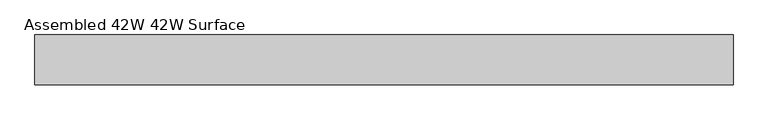
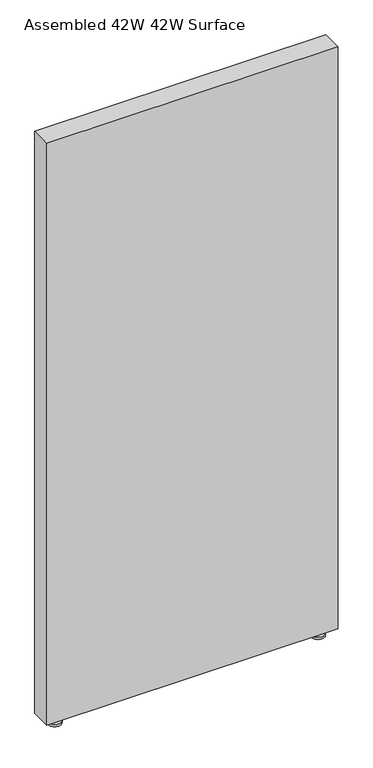
"""IFC4 building model written with IfcOpenShell, lengths in millimetres: furniture geometry, Assembled 42W 42W Surface."""

import ifcopenshell
import ifcopenshell.guid

model = None  # the IFC model being written
_history = None  # IfcOwnerHistory: only IFC2X3 demands one
_inside = {}  # id of a spatial element -> (the spatial element, [elements in it])
_under = {}  # id of a project, library or spatial element -> (it, [spatial elements below it])
_declared = {}  # id of a project -> (the project, [libraries it declares])
_typed = {}  # id of a type object -> (the type object, [elements of that type])
_made_of = {}  # id of a material, layer set ... -> (it, [elements and type objects made of it])


def new_model(schema):
    """Start an empty IFC model of exactly this schema.

    Asked for "IFC4X3", IfcOpenShell would pick the latest addendum, in which some entities
    have other attributes; the version numbers below select the first issue.
    IFC2X3 requires an IfcOwnerHistory on every rooted entity: one is made here for all.
    """
    global model, _history
    if schema == "IFC4X3":
        model = ifcopenshell.file(schema_version=(4, 3, 0, 0))
    else:
        model = ifcopenshell.file(schema=schema)
    _inside.clear()
    _under.clear()
    _declared.clear()
    _typed.clear()
    _made_of.clear()
    _history = None
    if model.schema == "IFC2X3":
        org = make("IfcOrganization", Name="unknown")
        user = make(
            "IfcPersonAndOrganization",
            ThePerson=make("IfcPerson", FamilyName="unknown"),
            TheOrganization=org,
        )
        app = make(
            "IfcApplication",
            ApplicationDeveloper=org,
            Version="unknown",
            ApplicationFullName="unknown",
            ApplicationIdentifier="unknown",
        )
        _history = make(
            "IfcOwnerHistory",
            OwningUser=user,
            OwningApplication=app,
            ChangeAction="ADDED",
            CreationDate=0,
        )
    return model


def make(cls, **values):
    """One entity of the class cls with the attributes given. An attribute that is None is left unset."""
    return model.create_entity(
        cls, **{name: value for name, value in values.items() if value is not None}
    )


def rooted(cls, **values):
    """An entity with a GlobalId (a new one), such as an element, a storey or a relation."""
    return make(cls, GlobalId=ifcopenshell.guid.new(), OwnerHistory=_history, **values)


def si_unit(unit_type, name, prefix=None):
    """IfcSIUnit, for example si_unit("LENGTHUNIT", "METRE", prefix="MILLI")."""
    return make("IfcSIUnit", UnitType=unit_type, Prefix=prefix, Name=name)


def assignment(units):
    """IfcUnitAssignment: the units of a project."""
    return None if units is None else make("IfcUnitAssignment", Units=units)


def point(xyz):
    """IfcCartesianPoint."""
    return None if xyz is None else make("IfcCartesianPoint", Coordinates=xyz)


def direction(xyz):
    """IfcDirection."""
    return None if xyz is None else make("IfcDirection", DirectionRatios=xyz)


def frame(location, z_axis=None, x_axis=None):
    """IfcAxis2Placement3D, a coordinate frame: its origin and axes. An axis left out is left unset."""
    return make(
        "IfcAxis2Placement3D",
        Location=point(location),
        Axis=direction(z_axis),
        RefDirection=direction(x_axis),
    )


def origin():
    """The frame at (0, 0, 0) with its axes left unset."""
    return frame((0.0, 0.0, 0.0))


def place(relative_to, where):
    """IfcLocalPlacement: puts the frame where relative to a parent placement (None: the world)."""
    return make(
        "IfcLocalPlacement", PlacementRelTo=relative_to, RelativePlacement=where
    )


def context(
    kind, dimensions, precision=None, world=None, true_north=None, identifier=None
):
    """IfcGeometricRepresentationContext, for example the 3D "Model" context."""
    return make(
        "IfcGeometricRepresentationContext",
        ContextIdentifier=identifier,
        ContextType=kind,
        CoordinateSpaceDimension=dimensions,
        Precision=precision,
        WorldCoordinateSystem=world,
        TrueNorth=true_north,
    )


def project(units=None, contexts=None):
    """IfcProject with its units and contexts."""
    return rooted(
        "IfcProject",
        Name="project",
        RepresentationContexts=contexts,
        UnitsInContext=assignment(units),
    )


def spatial(cls, under=None, at=None, **own):
    """A site, building, storey or space (cls), placed at a placement, below another one or the project."""
    s = rooted(cls, ObjectPlacement=at, **own)
    if under is not None:
        _under.setdefault(under.id(), (under, []))[1].append(s)
    return s


def polyline(points):
    """IfcPolyline through the points."""
    return make("IfcPolyline", Points=[point(p) for p in points])


def circle_curve(where, radius):
    """IfcCircle in the frame where."""
    return make("IfcCircle", Position=where, Radius=radius)


def outline(outer, holes=None, kind="AREA"):
    """IfcArbitraryClosedProfileDef: a profile drawn as a closed curve; with holes, ...WithVoids."""
    if holes is None:
        return make("IfcArbitraryClosedProfileDef", ProfileType=kind, OuterCurve=outer)
    return make(
        "IfcArbitraryProfileDefWithVoids",
        ProfileType=kind,
        OuterCurve=outer,
        InnerCurves=holes,
    )


def extrude(swept, where, along, depth):
    """IfcExtrudedAreaSolid: the profile swept, set in the frame where, extruded along a direction by depth."""
    return make(
        "IfcExtrudedAreaSolid",
        SweptArea=swept,
        Position=where,
        ExtrudedDirection=direction(along),
        Depth=depth,
    )


def shape(context_of_items, identifier, shape_type, items):
    """IfcShapeRepresentation: the items that make up one representation, for example the "Body"."""
    return make(
        "IfcShapeRepresentation",
        ContextOfItems=context_of_items,
        RepresentationIdentifier=identifier,
        RepresentationType=shape_type,
        Items=items,
    )


def source(mapping_origin, context_of_items, identifier, shape_type, items):
    """IfcRepresentationMap: a shape defined once, which mapped items show again and again."""
    return make(
        "IfcRepresentationMap",
        MappingOrigin=mapping_origin,
        MappedRepresentation=shape(context_of_items, identifier, shape_type, items),
    )


def transform(
    local_origin,
    x_axis=None,
    y_axis=None,
    z_axis=None,
    scale=None,
    scale2=None,
    scale3=None,
    uniform=True,
):
    """IfcCartesianTransformationOperator3D, or its non-uniform kind. x_axis, y_axis, z_axis: its Axis1, 2, 3."""
    if uniform:
        return make(
            "IfcCartesianTransformationOperator3D",
            Axis1=direction(x_axis),
            Axis2=direction(y_axis),
            LocalOrigin=point(local_origin),
            Scale=scale,
            Axis3=direction(z_axis),
        )
    return make(
        "IfcCartesianTransformationOperator3DnonUniform",
        Axis1=direction(x_axis),
        Axis2=direction(y_axis),
        LocalOrigin=point(local_origin),
        Scale=scale,
        Axis3=direction(z_axis),
        Scale2=scale2,
        Scale3=scale3,
    )


def mapped(mapping_source, mapping_target):
    """IfcMappedItem: shows the shape of a source again, moved by a transform."""
    return make(
        "IfcMappedItem", MappingSource=mapping_source, MappingTarget=mapping_target
    )


def made_of(thing, what):
    """Note that an element or type object is made of a material, layer set ...; save() writes the relation."""
    if what is not None:
        _made_of.setdefault(what.id(), (what, []))[1].append(thing)
    return thing


def element(
    cls,
    number,
    at=None,
    inside=None,
    cuts=None,
    type_object=None,
    material=None,
    context=None,
    identifier="Body",
    shape_type=None,
    held_by="IfcProductDefinitionShape",
    body=None,
    shapes=None,
    **own,
):
    """One element of the class cls, such as IfcWall. Its Tag is "e" and its number.

    at: its placement. inside: the storey or other place that contains it. cuts: it is an
    opening in that element (IfcRelVoidsElement). A single representation is given by context,
    identifier, shape_type and body (its items); several are given by shapes. held_by: the class
    of the entity that holds the representations. save() writes the other relations.
    """
    e = rooted(cls, Tag="e%d" % number, ObjectPlacement=at, **own)
    if body is not None:
        shapes = [shape(context, identifier, shape_type, body)]
    if shapes is not None:
        e.Representation = make(held_by, Representations=shapes)
    if inside is not None:
        _inside.setdefault(inside.id(), (inside, []))[1].append(e)
    if cuts is not None:
        rooted(
            "IfcRelVoidsElement", RelatingBuildingElement=cuts, RelatedOpeningElement=e
        )
    if type_object is not None:
        _typed.setdefault(type_object.id(), (type_object, []))[1].append(e)
    return made_of(e, material)


def aggregate(whole, parts):
    """IfcRelAggregates: a whole, such as a stair, and the parts it consists of."""
    return rooted("IfcRelAggregates", RelatingObject=whole, RelatedObjects=parts)


def save(model, path):
    """Write the relations noted so far, then the file.

    IfcRelAggregates (storeys below a building ...), IfcRelContainedInSpatialStructure (elements
    in a storey), IfcRelDefinesByType, IfcRelAssociatesMaterial and IfcRelDeclares: one each for
    every whole, place, type object, material and project.
    """
    for whole, parts in _under.values():
        aggregate(whole, parts)
    for where, things in _inside.values():
        rooted(
            "IfcRelContainedInSpatialStructure",
            RelatedElements=things,
            RelatingStructure=where,
        )
    for kind, things in _typed.values():
        rooted("IfcRelDefinesByType", RelatedObjects=things, RelatingType=kind)
    for what, things in _made_of.values():
        rooted("IfcRelAssociatesMaterial", RelatedObjects=things, RelatingMaterial=what)
    for by, libraries in _declared.values():
        rooted("IfcRelDeclares", RelatingContext=by, RelatedDefinitions=libraries)
    model.write(path)


def plane_surface(at):
    """IfcPlane: the flat surface through the origin of the frame at, square to its z axis."""
    return make("IfcPlane", Position=at)


def cylinder_surface(at, radius):
    """IfcCylindricalSurface: all points at the distance radius from the z axis of the frame at."""
    return make("IfcCylindricalSurface", Position=at, Radius=radius)


def advanced_brep(points, edges, surfaces, faces):
    """IfcAdvancedBrep: a solid bounded by faces that lie on surfaces and meet in shared edges.

    An edge is (start, end): straight between two places in points (the first is 0);
    or (start, end, curve); or (start, end, curve, False) where it runs against its curve.
    A face is (place in surfaces, loops), or (place, loops, False) where it looks against
    its surface's normal. A loop lists edges by number (the first is 1), with a minus sign
    where the edge is run from its end to its start. The first loop is the outer one.
    """
    corners = [point(p) for p in points]
    vertices = [make("IfcVertexPoint", VertexGeometry=c) for c in corners]
    made = []
    for start, end, *more in edges:
        made.append(
            make(
                "IfcEdgeCurve",
                EdgeStart=vertices[start],
                EdgeEnd=vertices[end],
                EdgeGeometry=more[0] if more else make("IfcPolyline", Points=[corners[start], corners[end]]),
                SameSense=more[1] if len(more) > 1 else True,
            )
        )
    hull = []
    for where, loops, *sense in faces:
        bounds = []
        for j, loop in enumerate(loops):
            ring = [make("IfcOrientedEdge", EdgeElement=made[abs(k) - 1], Orientation=k > 0) for k in loop]
            bounds.append(
                make(
                    "IfcFaceOuterBound" if j == 0 else "IfcFaceBound",
                    Bound=make("IfcEdgeLoop", EdgeList=ring),
                    Orientation=True,
                )
            )
        hull.append(make("IfcAdvancedFace", Bounds=bounds, FaceSurface=surfaces[where], SameSense=sense[0] if sense else True))
    return make("IfcAdvancedBrep", Outer=make("IfcClosedShell", CfsFaces=hull))


def assembled_42w_42w_surface_f6948d69(model_context):
    return source(origin(), model_context, "Body", "SolidModel", [
        advanced_brep(
        [(992.2500083, 50.7999992, 0.0), (1039.7500159, 50.7999992, 0.0), (1016.0000121, 50.7999992, 0.0), (992.2500083, 50.7999992, 8.0944096), (1039.7500159, 50.7999992, 8.0944096), (1011.2375121, 50.7999992, 8.0944096), (1020.7625121, 50.7999992, 8.0944096), (1011.2375121, 50.7999992, 30.1625008), (1020.7625121, 50.7999992, 30.1625008), (1016.0000121, 50.7999992, 30.1625008)],
        [
            (0, 1, circle_curve(frame((1016.0000121, 50.7999992, 0.0), z_axis=(0.0, 0.0, -1.0), x_axis=(1.0, 0.0, 0.0)), 23.7500038)),
            (1, 2),
            (2, 0),
            (1, 0, circle_curve(frame((1016.0000121, 50.7999992, 0.0), z_axis=(0.0, 0.0, -1.0), x_axis=(1.0, 0.0, 0.0)), 23.7500038)),
            (3, 4, circle_curve(frame((1016.0000121, 50.7999992, 8.0944096), z_axis=(0.0, 0.0, -1.0), x_axis=(1.0, 0.0, 0.0)), 23.7500038)),
            (4, 1),
            (0, 3),
            (4, 3, circle_curve(frame((1016.0000121, 50.7999992, 8.0944096), z_axis=(0.0, 0.0, -1.0), x_axis=(1.0, 0.0, 0.0)), 23.7500038)),
            (5, 6, circle_curve(frame((1016.0000121, 50.7999992, 8.0944096), z_axis=(0.0, 0.0, -1.0), x_axis=(1.0, 0.0, 0.0)), 4.7625)),
            (6, 4),
            (3, 5),
            (6, 5, circle_curve(frame((1016.0000121, 50.7999992, 8.0944096), z_axis=(0.0, 0.0, -1.0), x_axis=(1.0, 0.0, 0.0)), 4.7625)),
            (7, 8, circle_curve(frame((1016.0000121, 50.7999992, 30.1625008), z_axis=(0.0, 0.0, -1.0), x_axis=(1.0, 0.0, 0.0)), 4.7625)),
            (8, 6),
            (5, 7),
            (8, 7, circle_curve(frame((1016.0000121, 50.7999992, 30.1625008), z_axis=(0.0, 0.0, -1.0), x_axis=(1.0, 0.0, 0.0)), 4.7625)),
            (9, 8),
            (7, 9),
        ],
        [
            plane_surface(frame((1016.0000121, 50.7999992, 0.0), z_axis=(0.0, 0.0, -1.0), x_axis=(1.0, 0.0, 0.0))),
            cylinder_surface(frame((1016.0000121, 50.7999992, 30.1625008), z_axis=(0.0, 0.0, 1.0), x_axis=(1.0, 0.0, 0.0)), 23.7500038),
            plane_surface(frame((1016.0000121, 50.7999992, 8.0944096), z_axis=(0.0, 0.0, 1.0), x_axis=(1.0, 0.0, 0.0))),
            cylinder_surface(frame((1016.0000121, 50.7999992, 30.1625008), z_axis=(0.0, 0.0, 1.0), x_axis=(1.0, 0.0, 0.0)), 4.7625),
            plane_surface(frame((1016.0000121, 50.7999992, 30.1625008), z_axis=(0.0, 0.0, 1.0), x_axis=(1.0, 0.0, 0.0))),
        ],
        [
            (0, [[1, 2, 3]]),
            (0, [[4, -3, -2]]),
            (1, [[5, 6, -1, 7]]),
            (1, [[8, -7, -4, -6]]),
            (2, [[9, 10, -5, 11]]),
            (2, [[12, -11, -8, -10]]),
            (3, [[13, 14, -9, 15]]),
            (3, [[16, -15, -12, -14]]),
            (4, [[17, -13, 18]]),
            (4, [[-18, -16, -17]]),
        ],
    ),
        advanced_brep(
        [(46.0375015, 50.7999992, 30.1625008), (55.5625015, 50.7999992, 30.1625008), (55.5625015, 50.7999992, 8.0944096), (46.0375015, 50.7999992, 8.0944096), (50.8000015, 50.7999992, 30.1625008), (26.9875015, 50.7999992, 0.0), (74.6125015, 50.7999992, 0.0), (50.8000015, 50.7999992, 0.0), (26.9875015, 50.7999992, 8.0944096), (74.6125015, 50.7999992, 8.0944096)],
        [
            (0, 1, circle_curve(frame((50.8000015, 50.7999992, 30.1625008), z_axis=(0.0, 0.0, -1.0), x_axis=(1.0, 0.0, 0.0)), 4.7625)),
            (1, 2),
            (2, 3, circle_curve(frame((50.8000015, 50.7999992, 8.0944096), z_axis=(0.0, 0.0, 1.0), x_axis=(1.0, 0.0, 0.0)), 4.7625)),
            (3, 0),
            (1, 0, circle_curve(frame((50.8000015, 50.7999992, 30.1625008), z_axis=(0.0, 0.0, -1.0), x_axis=(1.0, 0.0, 0.0)), 4.7625)),
            (3, 2, circle_curve(frame((50.8000015, 50.7999992, 8.0944096), z_axis=(0.0, 0.0, 1.0), x_axis=(1.0, 0.0, 0.0)), 4.7625)),
            (4, 1),
            (0, 4),
            (5, 6, circle_curve(frame((50.8000015, 50.7999992, 0.0), z_axis=(0.0, 0.0, -1.0), x_axis=(1.0, 0.0, 0.0)), 23.8125)),
            (6, 7),
            (7, 5),
            (6, 5, circle_curve(frame((50.8000015, 50.7999992, 0.0), z_axis=(0.0, 0.0, -1.0), x_axis=(1.0, 0.0, 0.0)), 23.8125)),
            (8, 9, circle_curve(frame((50.8000015, 50.7999992, 8.0944096), z_axis=(0.0, 0.0, -1.0), x_axis=(1.0, 0.0, 0.0)), 23.8125)),
            (9, 6),
            (5, 8),
            (9, 8, circle_curve(frame((50.8000015, 50.7999992, 8.0944096), z_axis=(0.0, 0.0, -1.0), x_axis=(1.0, 0.0, 0.0)), 23.8125)),
            (2, 9),
            (8, 3),
        ],
        [
            cylinder_surface(frame((50.8000015, 50.7999992, 30.1625008), z_axis=(0.0, 0.0, 1.0), x_axis=(1.0, 0.0, 0.0)), 4.7625),
            plane_surface(frame((50.8000015, 50.7999992, 30.1625008), z_axis=(0.0, 0.0, 1.0), x_axis=(1.0, 0.0, 0.0))),
            plane_surface(frame((50.8000015, 50.7999992, 0.0), z_axis=(0.0, 0.0, -1.0), x_axis=(1.0, 0.0, 0.0))),
            cylinder_surface(frame((50.8000015, 50.7999992, 30.1625008), z_axis=(0.0, 0.0, 1.0), x_axis=(1.0, 0.0, 0.0)), 23.8125),
            plane_surface(frame((50.8000015, 50.7999992, 8.0944096), z_axis=(0.0, 0.0, 1.0), x_axis=(1.0, 0.0, 0.0))),
        ],
        [
            (0, [[1, 2, 3, 4]]),
            (0, [[5, -4, 6, -2]]),
            (1, [[7, -1, 8]]),
            (1, [[-8, -5, -7]]),
            (2, [[9, 10, 11]]),
            (2, [[12, -11, -10]]),
            (3, [[13, 14, -9, 15]]),
            (3, [[16, -15, -12, -14]]),
            (4, [[-3, 17, -13, 18]]),
            (4, [[-6, -18, -16, -17]]),
        ],
    ),
        extrude(outline(polyline([(0.0, 12.7000004), (0.0, 88.899997), (1066.8, 88.899997), (1066.8, 12.7000004), (0.0, 12.7000004)])), frame((0.0, 0.0, 30.1625008), z_axis=(0.0, 0.0, 1.0), x_axis=(1.0, 0.0, 0.0)), (0.0, 0.0, 1.0), 2252.6625477),
    ])


if __name__ == "__main__":
    model = new_model("IFC4")
    model_context = context("Model", 3, world=origin())
    ifc_project = project(units=[si_unit("LENGTHUNIT", "METRE", prefix="MILLI")], contexts=[model_context])
    site = spatial("IfcSite", under=ifc_project)
    building = spatial("IfcBuilding", under=site)
    placement = place(None, origin())
    assembled_42w_42w_surface_shape = assembled_42w_42w_surface_f6948d69(model_context)
    element("IfcFurniture", 1, ObjectType="Assembled 42W 42W Surface", at=placement, inside=building, context=model_context, shape_type="MappedRepresentation", body=[
        mapped(assembled_42w_42w_surface_shape, transform((0.0, 0.0, 0.0), x_axis=(1.0, 0.0, 0.0), y_axis=(0.0, 1.0, 0.0), z_axis=(0.0, 0.0, 1.0))),
    ])
    save(model, "model.ifc")
